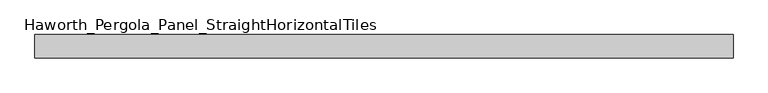
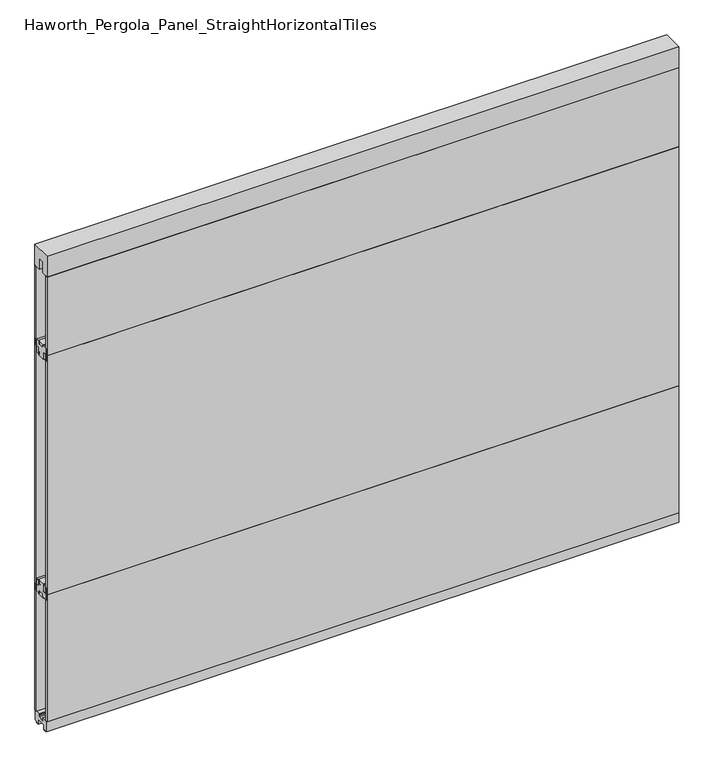
"""IFC4 building model written with IfcOpenShell, lengths in millimetres: furniture geometry, Haworth_Pergola_Panel_StraightHorizontalTiles."""

from ifc_helpers import new_model, si_unit, frame, origin, place, context, project, spatial, polyline, outline, extrude, source, transform, mapped, element, save


def haworth_pergola_panel_straighthorizontaltiles_a1898ec4(model_context):
    return source(origin(), model_context, "Body", "SweptSolid", [
        extrude(outline(polyline([(12.7, 679.45), (12.7, 692.15), (-12.7, 692.15), (-12.7, 679.45), (-44.45, 679.45), (-44.45, 711.2), (-19.05, 711.2), (-19.05, 749.3), (19.05, 749.3), (19.05, 711.2), (44.45, 711.2), (44.45, 679.45), (12.7, 679.45)])), frame((-1485.9, 0.0, 0.0), z_axis=(1.0, 0.0, 0.0), x_axis=(0.0, 1.0, 0.0)), (0.0, 0.0, 1.0), 3048.0),
        extrude(outline(polyline([(12.7, 1962.15), (44.45, 1962.15), (44.45, 1930.4), (19.05, 1930.4), (19.05, 1892.3), (-19.05, 1892.3), (-19.05, 1930.4), (-44.45, 1930.4), (-44.45, 1962.15), (-12.7, 1962.15), (-12.7, 1949.45), (12.7, 1949.45), (12.7, 1962.15)])), frame((-1485.9, 0.0, 0.0), z_axis=(1.0, 0.0, 0.0), x_axis=(0.0, 1.0, 0.0)), (0.0, 0.0, 1.0), 3048.0),
        extrude(outline(polyline([(-1485.9, 50.8), (1562.1, 50.8), (1562.1, 38.1), (-1485.9, 38.1), (-1485.9, 50.8)])), frame((0.0, 0.0, 711.2), z_axis=(0.0, 0.0, 1.0), x_axis=(1.0, 0.0, 0.0)), (0.0, 0.0, 1.0), 1219.2),
        extrude(outline(polyline([(-1485.9, -38.1), (1562.1, -38.1), (1562.1, -50.8), (-1485.9, -50.8), (-1485.9, -38.1)])), frame((0.0, 0.0, 711.2), z_axis=(0.0, 0.0, 1.0), x_axis=(1.0, 0.0, 0.0)), (0.0, 0.0, 1.0), 1219.2),
        extrude(outline(polyline([(12.7, 1898.65), (12.7, 1911.35), (-12.7, 1911.35), (-12.7, 1898.65), (-44.45, 1898.65), (-44.45, 1930.4), (-19.05, 1930.4), (-19.05, 1968.5), (19.05, 1968.5), (19.05, 1930.4), (44.45, 1930.4), (44.45, 1898.65), (12.7, 1898.65)])), frame((-1485.9, 0.0, 0.0), z_axis=(1.0, 0.0, 0.0), x_axis=(0.0, 1.0, 0.0)), (0.0, 0.0, 1.0), 3048.0),
        extrude(outline(polyline([(-1485.9, 50.8), (1562.1, 50.8), (1562.1, 38.1), (-1485.9, 38.1), (-1485.9, 50.8)])), frame((0.0, 0.0, 1930.4), z_axis=(0.0, 0.0, 1.0), x_axis=(1.0, 0.0, 0.0)), (0.0, 0.0, 1.0), 401.4390625),
        extrude(outline(polyline([(-1485.9, -38.1), (1562.1, -38.1), (1562.1, -50.8), (-1485.9, -50.8), (-1485.9, -38.1)])), frame((0.0, 0.0, 1930.4), z_axis=(0.0, 0.0, 1.0), x_axis=(1.0, 0.0, 0.0)), (0.0, 0.0, 1.0), 401.4390625),
        extrude(outline(polyline([(12.7, 742.95), (44.45, 742.95), (44.45, 711.2), (19.05, 711.2), (19.05, 673.1), (-19.05, 673.1), (-19.05, 711.2), (-44.45, 711.2), (-44.45, 742.95), (-12.7, 742.95), (-12.7, 730.25), (12.7, 730.25), (12.7, 742.95)])), frame((-1485.9, 0.0, 0.0), z_axis=(1.0, 0.0, 0.0), x_axis=(0.0, 1.0, 0.0)), (0.0, 0.0, 1.0), 3048.0),
        extrude(outline(polyline([(-1485.9, 50.8), (1562.1, 50.8), (1562.1, 38.1), (-1485.9, 38.1), (-1485.9, 50.8)])), frame((0.0, 0.0, 63.5), z_axis=(0.0, 0.0, 1.0), x_axis=(1.0, 0.0, 0.0)), (0.0, 0.0, 1.0), 647.7),
        extrude(outline(polyline([(-1485.9, -38.1), (1562.1, -38.1), (1562.1, -50.8), (-1485.9, -50.8), (-1485.9, -38.1)])), frame((0.0, 0.0, 63.5), z_axis=(0.0, 0.0, 1.0), x_axis=(1.0, 0.0, 0.0)), (0.0, 0.0, 1.0), 647.7),
        extrude(outline(polyline([(-50.8, 2438.4), (50.8, 2438.4), (50.8, 2331.8390625), (15.2182948, 2331.8390625), (15.2182948, 2388.7001663), (-15.2182948, 2388.7001663), (-15.2182948, 2331.8390625), (-50.8, 2331.8390625), (-50.8, 2438.4)])), frame((-1485.9, 0.0, 0.0), z_axis=(1.0, 0.0, 0.0), x_axis=(0.0, 1.0, 0.0)), (0.0, 0.0, 1.0), 3048.0),
        extrude(outline(polyline([(-16.2000002, 63.5), (-16.5085717, 61.7499999), (-13.3999996, 61.7499999), (-13.3999996, 58.8973461), (-15.4000002, 59.2499999), (-15.4000002, 48.3500004), (15.4000003, 48.3500004), (15.4000003, 59.2499999), (13.3999997, 58.8973461), (13.3999997, 61.7499999), (16.5085718, 61.7499999), (16.2000003, 63.5), (50.0000004, 63.5), (50.0000004, 12.6999985), (40.9499987, 12.6999985), (38.9499981, 10.6999979), (28.9499999, 10.6999979), (28.9499999, 7.6999994), (38.9499981, 7.6999994), (38.9499981, 5.6999988), (23.7499993, 5.6999988), (23.7499993, 31.4500009), (-23.7499992, 31.4500009), (-23.7499992, 5.6999988), (-38.949998, 5.6999988), (-38.949998, 7.6999994), (-28.9499998, 7.6999994), (-28.9499998, 10.6999979), (-38.949998, 10.6999979), (-40.9499986, 12.6999985), (-50.0000003, 12.6999985), (-50.0000003, 63.5), (-16.2000002, 63.5)])), frame((-1485.9, 0.0, 0.0), z_axis=(1.0, 0.0, 0.0), x_axis=(0.0, 1.0, 0.0)), (0.0, 0.0, 1.0), 3048.0),
    ])


if __name__ == "__main__":
    model = new_model("IFC4")
    model_context = context("Model", 3, world=origin())
    ifc_project = project(units=[si_unit("LENGTHUNIT", "METRE", prefix="MILLI")], contexts=[model_context])
    site = spatial("IfcSite", under=ifc_project)
    building = spatial("IfcBuilding", under=site)
    placement = place(None, origin())
    haworth_pergola_panel_straighthorizontaltiles_shape = haworth_pergola_panel_straighthorizontaltiles_a1898ec4(model_context)
    element("IfcFurniture", 1, ObjectType="Haworth_Pergola_Panel_StraightHorizontalTiles", at=placement, inside=building, context=model_context, shape_type="MappedRepresentation", body=[
        mapped(haworth_pergola_panel_straighthorizontaltiles_shape, transform((0.0, 0.0, 0.0), x_axis=(1.0, 0.0, 0.0), y_axis=(0.0, 1.0, 0.0), z_axis=(0.0, 0.0, 1.0))),
    ])
    save(model, "model.ifc")
